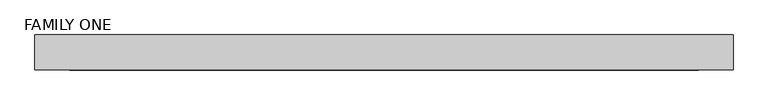
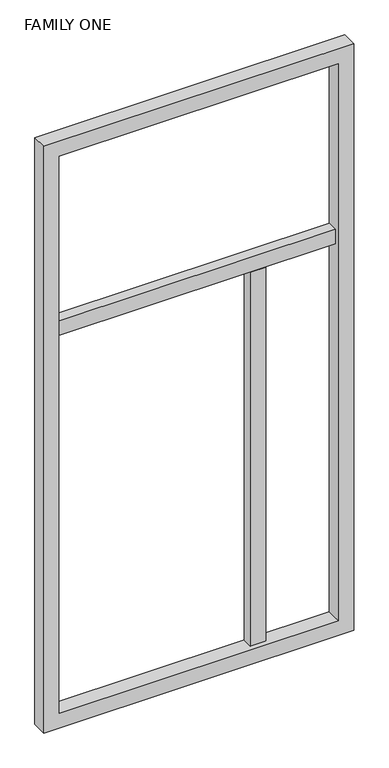
"""IFC4 building model written with IfcOpenShell, lengths in millimetres: proxy geometry, FAMILY ONE."""

import ifcopenshell
import ifcopenshell.guid

model = None  # the IFC model being written
_history = None  # IfcOwnerHistory: only IFC2X3 demands one
_inside = {}  # id of a spatial element -> (the spatial element, [elements in it])
_under = {}  # id of a project, library or spatial element -> (it, [spatial elements below it])
_declared = {}  # id of a project -> (the project, [libraries it declares])
_typed = {}  # id of a type object -> (the type object, [elements of that type])
_made_of = {}  # id of a material, layer set ... -> (it, [elements and type objects made of it])


def new_model(schema):
    """Start an empty IFC model of exactly this schema.

    Asked for "IFC4X3", IfcOpenShell would pick the latest addendum, in which some entities
    have other attributes; the version numbers below select the first issue.
    IFC2X3 requires an IfcOwnerHistory on every rooted entity: one is made here for all.
    """
    global model, _history
    if schema == "IFC4X3":
        model = ifcopenshell.file(schema_version=(4, 3, 0, 0))
    else:
        model = ifcopenshell.file(schema=schema)
    _inside.clear()
    _under.clear()
    _declared.clear()
    _typed.clear()
    _made_of.clear()
    _history = None
    if model.schema == "IFC2X3":
        org = make("IfcOrganization", Name="unknown")
        user = make(
            "IfcPersonAndOrganization",
            ThePerson=make("IfcPerson", FamilyName="unknown"),
            TheOrganization=org,
        )
        app = make(
            "IfcApplication",
            ApplicationDeveloper=org,
            Version="unknown",
            ApplicationFullName="unknown",
            ApplicationIdentifier="unknown",
        )
        _history = make(
            "IfcOwnerHistory",
            OwningUser=user,
            OwningApplication=app,
            ChangeAction="ADDED",
            CreationDate=0,
        )
    return model


def make(cls, **values):
    """One entity of the class cls with the attributes given. An attribute that is None is left unset."""
    return model.create_entity(
        cls, **{name: value for name, value in values.items() if value is not None}
    )


def rooted(cls, **values):
    """An entity with a GlobalId (a new one), such as an element, a storey or a relation."""
    return make(cls, GlobalId=ifcopenshell.guid.new(), OwnerHistory=_history, **values)


def si_unit(unit_type, name, prefix=None):
    """IfcSIUnit, for example si_unit("LENGTHUNIT", "METRE", prefix="MILLI")."""
    return make("IfcSIUnit", UnitType=unit_type, Prefix=prefix, Name=name)


def assignment(units):
    """IfcUnitAssignment: the units of a project."""
    return None if units is None else make("IfcUnitAssignment", Units=units)


def point(xyz):
    """IfcCartesianPoint."""
    return None if xyz is None else make("IfcCartesianPoint", Coordinates=xyz)


def direction(xyz):
    """IfcDirection."""
    return None if xyz is None else make("IfcDirection", DirectionRatios=xyz)


def frame(location, z_axis=None, x_axis=None):
    """IfcAxis2Placement3D, a coordinate frame: its origin and axes. An axis left out is left unset."""
    return make(
        "IfcAxis2Placement3D",
        Location=point(location),
        Axis=direction(z_axis),
        RefDirection=direction(x_axis),
    )


def origin():
    """The frame at (0, 0, 0) with its axes left unset."""
    return frame((0.0, 0.0, 0.0))


def place(relative_to, where):
    """IfcLocalPlacement: puts the frame where relative to a parent placement (None: the world)."""
    return make(
        "IfcLocalPlacement", PlacementRelTo=relative_to, RelativePlacement=where
    )


def context(
    kind, dimensions, precision=None, world=None, true_north=None, identifier=None
):
    """IfcGeometricRepresentationContext, for example the 3D "Model" context."""
    return make(
        "IfcGeometricRepresentationContext",
        ContextIdentifier=identifier,
        ContextType=kind,
        CoordinateSpaceDimension=dimensions,
        Precision=precision,
        WorldCoordinateSystem=world,
        TrueNorth=true_north,
    )


def project(units=None, contexts=None):
    """IfcProject with its units and contexts."""
    return rooted(
        "IfcProject",
        Name="project",
        RepresentationContexts=contexts,
        UnitsInContext=assignment(units),
    )


def spatial(cls, under=None, at=None, **own):
    """A site, building, storey or space (cls), placed at a placement, below another one or the project."""
    s = rooted(cls, ObjectPlacement=at, **own)
    if under is not None:
        _under.setdefault(under.id(), (under, []))[1].append(s)
    return s


def polyline(points):
    """IfcPolyline through the points."""
    return make("IfcPolyline", Points=[point(p) for p in points])


def outline(outer, holes=None, kind="AREA"):
    """IfcArbitraryClosedProfileDef: a profile drawn as a closed curve; with holes, ...WithVoids."""
    if holes is None:
        return make("IfcArbitraryClosedProfileDef", ProfileType=kind, OuterCurve=outer)
    return make(
        "IfcArbitraryProfileDefWithVoids",
        ProfileType=kind,
        OuterCurve=outer,
        InnerCurves=holes,
    )


def extrude(swept, where, along, depth):
    """IfcExtrudedAreaSolid: the profile swept, set in the frame where, extruded along a direction by depth."""
    return make(
        "IfcExtrudedAreaSolid",
        SweptArea=swept,
        Position=where,
        ExtrudedDirection=direction(along),
        Depth=depth,
    )


def shape(context_of_items, identifier, shape_type, items):
    """IfcShapeRepresentation: the items that make up one representation, for example the "Body"."""
    return make(
        "IfcShapeRepresentation",
        ContextOfItems=context_of_items,
        RepresentationIdentifier=identifier,
        RepresentationType=shape_type,
        Items=items,
    )


def source(mapping_origin, context_of_items, identifier, shape_type, items):
    """IfcRepresentationMap: a shape defined once, which mapped items show again and again."""
    return make(
        "IfcRepresentationMap",
        MappingOrigin=mapping_origin,
        MappedRepresentation=shape(context_of_items, identifier, shape_type, items),
    )


def transform(
    local_origin,
    x_axis=None,
    y_axis=None,
    z_axis=None,
    scale=None,
    scale2=None,
    scale3=None,
    uniform=True,
):
    """IfcCartesianTransformationOperator3D, or its non-uniform kind. x_axis, y_axis, z_axis: its Axis1, 2, 3."""
    if uniform:
        return make(
            "IfcCartesianTransformationOperator3D",
            Axis1=direction(x_axis),
            Axis2=direction(y_axis),
            LocalOrigin=point(local_origin),
            Scale=scale,
            Axis3=direction(z_axis),
        )
    return make(
        "IfcCartesianTransformationOperator3DnonUniform",
        Axis1=direction(x_axis),
        Axis2=direction(y_axis),
        LocalOrigin=point(local_origin),
        Scale=scale,
        Axis3=direction(z_axis),
        Scale2=scale2,
        Scale3=scale3,
    )


def mapped(mapping_source, mapping_target):
    """IfcMappedItem: shows the shape of a source again, moved by a transform."""
    return make(
        "IfcMappedItem", MappingSource=mapping_source, MappingTarget=mapping_target
    )


def made_of(thing, what):
    """Note that an element or type object is made of a material, layer set ...; save() writes the relation."""
    if what is not None:
        _made_of.setdefault(what.id(), (what, []))[1].append(thing)
    return thing


def element(
    cls,
    number,
    at=None,
    inside=None,
    cuts=None,
    type_object=None,
    material=None,
    context=None,
    identifier="Body",
    shape_type=None,
    held_by="IfcProductDefinitionShape",
    body=None,
    shapes=None,
    **own,
):
    """One element of the class cls, such as IfcWall. Its Tag is "e" and its number.

    at: its placement. inside: the storey or other place that contains it. cuts: it is an
    opening in that element (IfcRelVoidsElement). A single representation is given by context,
    identifier, shape_type and body (its items); several are given by shapes. held_by: the class
    of the entity that holds the representations. save() writes the other relations.
    """
    e = rooted(cls, Tag="e%d" % number, ObjectPlacement=at, **own)
    if body is not None:
        shapes = [shape(context, identifier, shape_type, body)]
    if shapes is not None:
        e.Representation = make(held_by, Representations=shapes)
    if inside is not None:
        _inside.setdefault(inside.id(), (inside, []))[1].append(e)
    if cuts is not None:
        rooted(
            "IfcRelVoidsElement", RelatingBuildingElement=cuts, RelatedOpeningElement=e
        )
    if type_object is not None:
        _typed.setdefault(type_object.id(), (type_object, []))[1].append(e)
    return made_of(e, material)


def aggregate(whole, parts):
    """IfcRelAggregates: a whole, such as a stair, and the parts it consists of."""
    return rooted("IfcRelAggregates", RelatingObject=whole, RelatedObjects=parts)


def save(model, path):
    """Write the relations noted so far, then the file.

    IfcRelAggregates (storeys below a building ...), IfcRelContainedInSpatialStructure (elements
    in a storey), IfcRelDefinesByType, IfcRelAssociatesMaterial and IfcRelDeclares: one each for
    every whole, place, type object, material and project.
    """
    for whole, parts in _under.values():
        aggregate(whole, parts)
    for where, things in _inside.values():
        rooted(
            "IfcRelContainedInSpatialStructure",
            RelatedElements=things,
            RelatingStructure=where,
        )
    for kind, things in _typed.values():
        rooted("IfcRelDefinesByType", RelatedObjects=things, RelatingType=kind)
    for what, things in _made_of.values():
        rooted("IfcRelAssociatesMaterial", RelatedObjects=things, RelatingMaterial=what)
    for by, libraries in _declared.values():
        rooted("IfcRelDeclares", RelatingContext=by, RelatedDefinitions=libraries)
    model.write(path)


def family_one_935d2222(model_context):
    return source(origin(), model_context, "Body", "SweptSolid", [
        extrude(outline(polyline([(1028.7, 76.2), (1104.9, 76.2), (1104.9, 25.4), (1028.7, 25.4), (1028.7, 76.2)])), frame((0.0, 0.0, 76.2), z_axis=(0.0, 0.0, 1.0), x_axis=(1.0, 0.0, 0.0)), (0.0, 0.0, 1.0), 1943.1),
        extrude(outline(polyline([(76.2, 76.2), (1447.8, 76.2), (1447.8, 25.4), (76.2, 25.4), (76.2, 76.2)])), frame((0.0, 0.0, 2019.3), z_axis=(0.0, 0.0, 1.0), x_axis=(1.0, 0.0, 0.0)), (0.0, 0.0, 1.0), 76.2),
        extrude(outline(polyline([(0.0, 0.0), (0.0, 1524.0), (3048.0, 1524.0), (3048.0, 0.0), (0.0, 0.0)]), holes=[polyline([(76.2, 76.2), (2971.8, 76.2), (2971.8, 1447.8), (76.2, 1447.8), (76.2, 76.2)])]), frame((0.0, 0.0, 0.0), z_axis=(0.0, 1.0, 0.0), x_axis=(0.0, 0.0, 1.0)), (0.0, 0.0, 1.0), 76.2),
    ])


if __name__ == "__main__":
    model = new_model("IFC4")
    model_context = context("Model", 3, world=origin())
    ifc_project = project(units=[si_unit("LENGTHUNIT", "METRE", prefix="MILLI")], contexts=[model_context])
    site = spatial("IfcSite", under=ifc_project)
    building = spatial("IfcBuilding", under=site)
    placement = place(None, origin())
    family_one_shape = family_one_935d2222(model_context)
    element("IfcBuildingElementProxy", 1, Name="FAMILY ONE", ObjectType="FAMILY ONE", at=placement, inside=building, context=model_context, shape_type="MappedRepresentation", body=[
        mapped(family_one_shape, transform((0.0, 0.0, 0.0), x_axis=(1.0, 0.0, 0.0), y_axis=(0.0, 1.0, 0.0), z_axis=(0.0, 0.0, 1.0))),
    ])
    save(model, "model.ifc")
